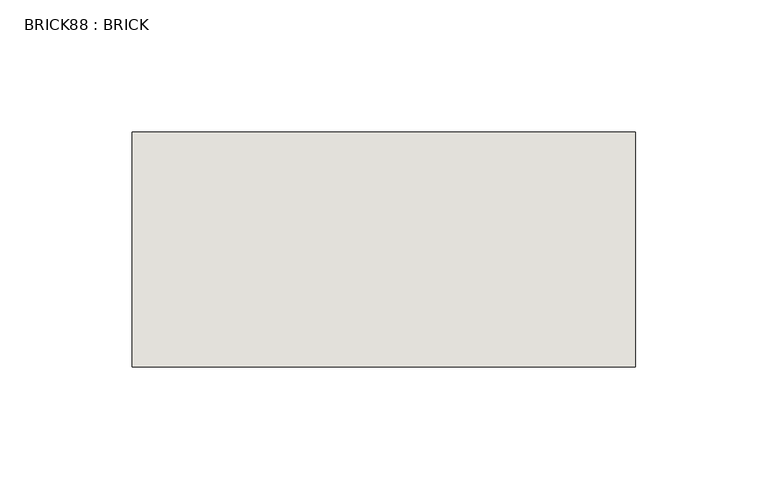
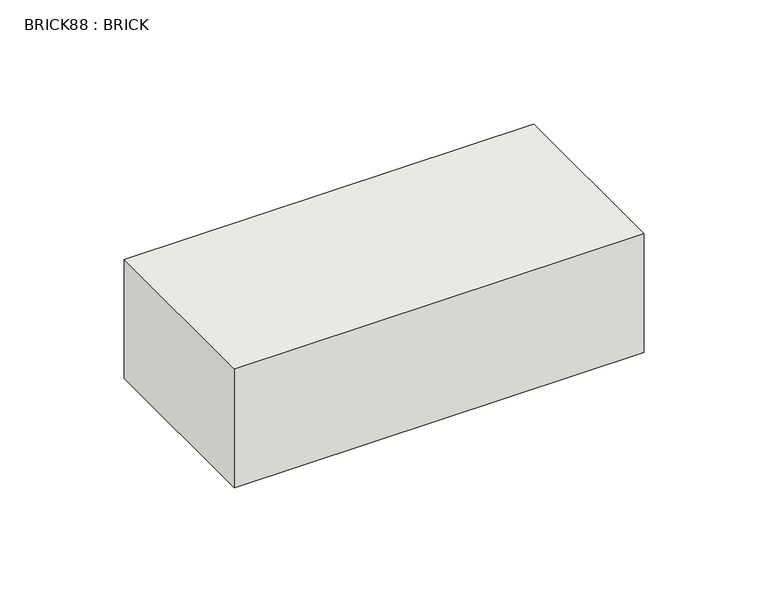
"""IFC4 building model written with IfcOpenShell, lengths in millimetres: wall geometry, BRICK88 : BRICK."""

from ifc_helpers import new_model, si_unit, frame, origin, place, context, project, spatial, polyline, outline, extrude, source, transform, mapped, element, save


def brick88_brick_83bd5520(model_context):
    return source(origin(), model_context, "Body", "SweptSolid", [
        extrude(outline(polyline([(1444.4530711, 2586.2274125), (1634.9530711, 2586.2274125), (1634.9530711, 2497.3274125), (1444.4530711, 2497.3274125), (1444.4530711, 2586.2274125)])), frame((0.0, 0.0, 214.0148438), z_axis=(0.0, 0.0, 1.0), x_axis=(1.0, 0.0, 0.0)), (0.0, 0.0, 1.0), 58.4398437),
    ])


if __name__ == "__main__":
    model = new_model("IFC4")
    model_context = context("Model", 3, world=origin())
    ifc_project = project(units=[si_unit("LENGTHUNIT", "METRE", prefix="MILLI")], contexts=[model_context])
    site = spatial("IfcSite", under=ifc_project)
    building = spatial("IfcBuilding", under=site)
    placement = place(None, origin())
    brick88_brick_shape = brick88_brick_83bd5520(model_context)
    element("IfcWall", 1, ObjectType="BRICK88 : BRICK", at=placement, inside=building, context=model_context, shape_type="MappedRepresentation", body=[
        mapped(brick88_brick_shape, transform((0.0, 0.0, 0.0), x_axis=(1.0, 0.0, 0.0), y_axis=(0.0, 1.0, 0.0), z_axis=(0.0, 0.0, 1.0))),
    ])
    save(model, "model.ifc")
